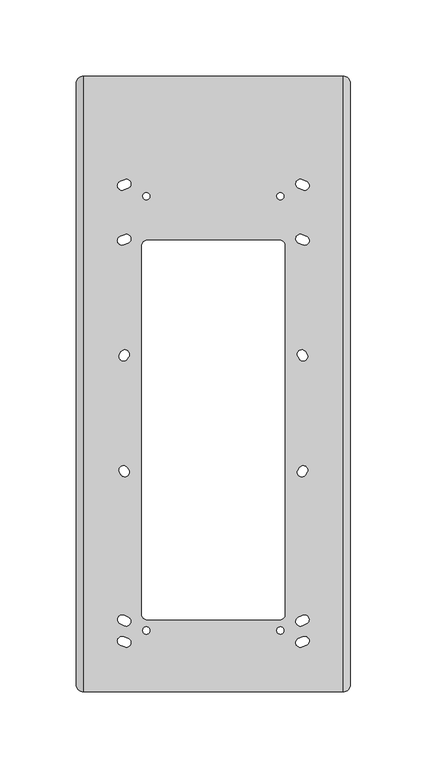
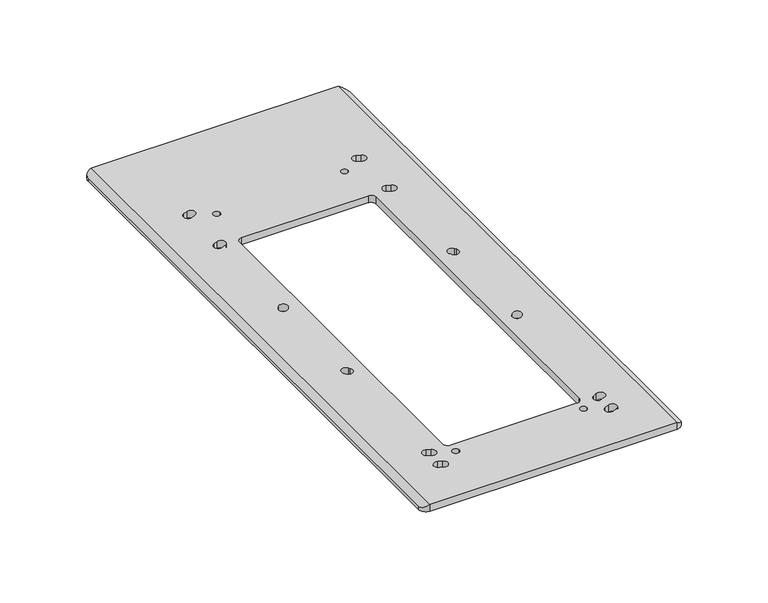
"""IFC4 building model written with IfcOpenShell, lengths in millimetres: proxy geometry."""

from ifc_helpers import new_model, si_unit, point, frame, frame_2d, origin, place, context, project, spatial, polyline, circle_curve, ellipse_curve, trimmed, segment, composite_curve, outline, extrude, source, transform, mapped, element, save
from ifc_brep_helpers import plane_surface, cylinder_surface, revolved_surface, advanced_brep


def electrical_fixtures_130d1e20(model_context):
    return source(origin(), model_context, "Body", "SolidModel", [
        extrude(outline(composite_curve([segment(polyline([(-44.9999999, 371.25), (45.0000004, 371.25)]), True, "CONTINUOUS"), segment(trimmed(circle_curve(frame_2d((45.0000004, 337.7500002)), 33.4999998), [point((45.0000004, 371.25))], [point((78.5000001, 337.7500002))], False, "CARTESIAN"), True, "CONTINUOUS"), segment(polyline([(78.5000001, 337.7500002), (78.5000001, 7.75), (71.5000001, 7.75), (71.5000001, 337.7500002)]), True, "CONTINUOUS"), segment(trimmed(circle_curve(frame_2d((45.0000004, 337.7500002)), 26.4999998), [point((71.5000001, 337.7500002))], [point((45.0000004, 364.25))], True, "CARTESIAN"), True, "CONTINUOUS"), segment(polyline([(45.0000004, 364.25), (-44.9999999, 364.25)]), True, "CONTINUOUS"), segment(trimmed(circle_curve(frame_2d((-44.9999999, 337.75)), 26.5), [point((-44.9999999, 364.25))], [point((-71.4999999, 337.75))], True, "CARTESIAN"), True, "CONTINUOUS"), segment(polyline([(-71.4999999, 337.75), (-71.4999999, 7.75), (-78.4999999, 7.75), (-78.4999999, 337.75)]), True, "CONTINUOUS"), segment(trimmed(circle_curve(frame_2d((-44.9999999, 337.75)), 33.5), [point((-78.4999999, 337.75))], [point((-44.9999999, 371.25))], False, "CARTESIAN"), True, "CONTINUOUS")], self_intersect=False)), frame((0.0, 0.0, -4.0000048), z_axis=(0.0, 0.0, 1.0), x_axis=(1.0, 0.0, 0.0)), (0.0, 0.0, 1.0), 4.0000048),
        advanced_brep(
        [(85.0000001, 404.0, 4.9999952), (-85.0000001, 404.0, 4.9999952), (-84.9999916, 0.0, 4.9999952), (85.0000001, 0.0, 4.9999952), (-43.4999999, 296.25, 4.9999952), (43.5000001, 296.25, 4.9999952), (47.0000001, 292.75, 4.9999952), (47.0000001, 50.75, 4.9999952), (43.5000001, 47.25, 4.9999952), (-43.5000001, 47.25, 4.9999952), (-46.9999999, 50.7499997, 4.9999952), (-46.9999999, 292.75, 4.9999952), (-56.0124822, 330.5000542, 4.9999952), (-58.807446, 329.4100184, 4.9999952), (-60.9875177, 334.9999457, 4.9999952), (-58.1925539, 336.0899816, 4.9999952), (-56.0124822, 294.4928722, 4.9999952), (-58.807446, 293.4028363, 4.9999952), (-60.9875177, 298.9927636, 4.9999952), (-58.1925539, 300.0827995, 4.9999952), (60.9875177, 334.9999457, 4.9999952), (58.807446, 329.4100184, 4.9999952), (56.0124822, 330.5000542, 4.9999952), (58.1925539, 336.0899816, 4.9999952), (60.9875177, 298.9927636, 4.9999952), (58.807446, 293.4028363, 4.9999952), (56.0124822, 294.4928722, 4.9999952), (58.1925539, 300.0827995, 4.9999952), (-61.4243742, 221.7552536, 4.9999952), (-60.6072696, 223.0131647, 4.9999952), (-55.5756256, 219.7447463, 4.9999952), (-56.3927302, 218.4868352, 4.9999952), (-61.4243742, 143.7447464, 4.9999952), (-56.3927302, 147.0131648, 4.9999952), (-55.5756256, 145.7552537, 4.9999952), (-60.6072696, 142.4868353, 4.9999952), (-55.8697895, 48.8313441, 4.9999952), (-58.4130508, 43.3970252, 4.9999952), (-61.1302104, 44.6686559, 4.9999952), (-58.5869491, 50.1029748, 4.9999952), (-56.0124822, 34.9999458, 4.9999952), (-58.1925539, 29.4100184, 4.9999952), (-60.9875177, 30.5000543, 4.9999952), (-58.807446, 36.0899816, 4.9999952), (55.5756256, 219.7447463, 4.9999952), (60.6072696, 223.0131647, 4.9999952), (61.4243742, 221.7552536, 4.9999952), (56.3927302, 218.4868352, 4.9999952), (55.5756256, 145.7552537, 4.9999952), (56.3927302, 147.0131648, 4.9999952), (61.4243742, 143.7447464, 4.9999952), (60.6072696, 142.4868353, 4.9999952), (61.1302104, 44.6686559, 4.9999952), (58.4130508, 43.3970252, 4.9999952), (55.8697895, 48.8313441, 4.9999952), (58.5869491, 50.1029748, 4.9999952), (60.9875177, 30.5000543, 4.9999952), (58.1925539, 29.4100184, 4.9999952), (56.0124822, 34.9999458, 4.9999952), (58.807446, 36.0899816, 4.9999952), (-41.6410014, 325.25, 4.9999952), (-46.3589983, 325.25, 4.9999952), (-41.6410014, 40.25, 4.9999952), (-46.3589983, 40.25, 4.9999952), (41.6410014, 325.25, 4.9999952), (46.3589983, 325.25, 4.9999952), (41.6410014, 40.25, 4.9999952), (46.3589983, 40.25, 4.9999952), (85.0000001, 404.0, 0.0), (90.0000001, 399.0, 0.0), (90.0000001, 5.0, 0.0), (85.0000001, 0.0, 0.0), (-84.9999999, 0.0, 0.0), (-89.9999999, 5.0, 0.0), (-89.9999999, 399.0000003, 0.0), (-85.0000001, 404.0, 0.0), (43.5000001, 296.25, 0.0), (-43.4999999, 296.25, 0.0), (-46.9999999, 292.75, 0.0), (-46.9999999, 50.7499997, 0.0), (-43.5000001, 47.25, 0.0), (43.5000001, 47.25, 0.0), (47.0000001, 50.75, 0.0), (47.0000001, 292.75, 0.0), (-58.807446, 329.4100184, 0.0), (-56.0124822, 330.5000542, 0.0), (-58.1925539, 336.0899816, 0.0), (-60.9875177, 334.9999457, 0.0), (-58.807446, 293.4028363, 0.0), (-56.0124822, 294.4928722, 0.0), (-58.1925539, 300.0827995, 0.0), (-60.9875177, 298.9927636, 0.0), (58.807446, 329.4100184, 0.0), (60.9875177, 334.9999457, 0.0), (58.1925539, 336.0899816, 0.0), (56.0124822, 330.5000542, 0.0), (58.807446, 293.4028363, 0.0), (60.9875177, 298.9927636, 0.0), (58.1925539, 300.0827995, 0.0), (56.0124822, 294.4928722, 0.0), (-60.6072696, 223.0131647, 0.0), (-61.4243742, 221.7552536, 0.0), (-56.3927302, 218.4868352, 0.0), (-55.5756256, 219.7447463, 0.0), (-56.3927302, 147.0131648, 0.0), (-61.4243742, 143.7447464, 0.0), (-60.6072696, 142.4868353, 0.0), (-55.5756256, 145.7552537, 0.0), (-58.4130508, 43.3970252, 0.0), (-55.8697895, 48.8313441, 0.0), (-58.5869491, 50.1029748, 0.0), (-61.1302104, 44.6686559, 0.0), (-58.1925539, 29.4100184, 0.0), (-56.0124822, 34.9999458, 0.0), (-58.807446, 36.0899816, 0.0), (-60.9875177, 30.5000543, 0.0), (60.6072696, 223.0131647, 0.0), (55.5756256, 219.7447463, 0.0), (56.3927302, 218.4868352, 0.0), (61.4243742, 221.7552536, 0.0), (56.3927302, 147.0131648, 0.0), (55.5756256, 145.7552537, 0.0), (60.6072696, 142.4868353, 0.0), (61.4243742, 143.7447464, 0.0), (58.4130508, 43.3970252, 0.0), (61.1302104, 44.6686559, 0.0), (58.5869491, 50.1029748, 0.0), (55.8697895, 48.8313441, 0.0), (58.1925539, 29.4100184, 0.0), (60.9875177, 30.5000543, 0.0), (58.807446, 36.0899816, 0.0), (56.0124822, 34.9999458, 0.0), (-46.3589983, 325.25, 0.0), (-41.6410014, 325.25, 0.0), (-46.3589983, 40.25, 0.0), (-41.6410014, 40.25, 0.0), (46.3589983, 325.25, 0.0), (41.6410014, 325.25, 0.0), (46.3589983, 40.25, 0.0), (41.6410014, 40.25, 0.0), (-89.9999999, 399.0000003, 2.1132387), (-89.9999999, 5.0, 2.1132387), (90.0000001, 5.0, 2.1132386), (90.0000001, 399.0, 2.1132386)],
        [
            (0, 1),
            (1, 2),
            (2, 3),
            (3, 0),
            (4, 5),
            (5, 6, circle_curve(frame((43.5000001, 292.75, 4.9999952), z_axis=(0.0, 0.0, -1.0), x_axis=(1.0, 0.0, 0.0)), 3.5)),
            (6, 7),
            (7, 8, circle_curve(frame((43.5000001, 50.75, 4.9999952), z_axis=(0.0, 0.0, -1.0), x_axis=(1.0, 0.0, 0.0)), 3.5)),
            (8, 9),
            (9, 10, circle_curve(frame((-43.5000001, 50.7499997, 4.9999952), z_axis=(0.0, 0.0, -1.0), x_axis=(1.0, 0.0, 0.0)), 3.4999997)),
            (10, 11),
            (11, 4, circle_curve(frame((-43.4999999, 292.75, 4.9999952), z_axis=(0.0, 0.0, -1.0), x_axis=(1.0, 0.0, 0.0)), 3.5)),
            (12, 13),
            (13, 14, circle_curve(frame((-59.8974818, 332.204982, 4.9999952), z_axis=(0.0, 0.0, -1.0), x_axis=(1.0, 0.0, 0.0)), 3.0)),
            (14, 15),
            (15, 12, circle_curve(frame((-57.102518, 333.2950179, 4.9999952), z_axis=(0.0, 0.0, -1.0), x_axis=(1.0, 0.0, 0.0)), 3.0)),
            (16, 17),
            (17, 18, circle_curve(frame((-59.8974818, 296.1977999, 4.9999952), z_axis=(0.0, 0.0, -1.0), x_axis=(1.0, 0.0, 0.0)), 3.0)),
            (18, 19),
            (19, 16, circle_curve(frame((-57.102518, 297.2878358, 4.9999952), z_axis=(0.0, 0.0, -1.0), x_axis=(1.0, 0.0, 0.0)), 3.0)),
            (20, 21, circle_curve(frame((59.8974818, 332.204982, 4.9999952), z_axis=(0.0, 0.0, -1.0), x_axis=(-1.0, 0.0, 0.0)), 3.0)),
            (21, 22),
            (22, 23, circle_curve(frame((57.102518, 333.2950179, 4.9999952), z_axis=(0.0, 0.0, -1.0), x_axis=(-1.0, 0.0, 0.0)), 3.0)),
            (23, 20),
            (24, 25, circle_curve(frame((59.8974818, 296.1977999, 4.9999952), z_axis=(0.0, 0.0, -1.0), x_axis=(-1.0, 0.0, 0.0)), 3.0)),
            (25, 26),
            (26, 27, circle_curve(frame((57.102518, 297.2878358, 4.9999952), z_axis=(0.0, 0.0, -1.0), x_axis=(-1.0, 0.0, 0.0)), 3.0)),
            (27, 24),
            (28, 29),
            (29, 30, circle_curve(frame((-58.0914476, 221.3789555, 4.9999952), z_axis=(0.0, 0.0, -1.0), x_axis=(1.0, 0.0, 0.0)), 3.0)),
            (30, 31),
            (31, 28, circle_curve(frame((-58.9085522, 220.1210444, 4.9999952), z_axis=(0.0, 0.0, -1.0), x_axis=(1.0, 0.0, 0.0)), 3.0)),
            (32, 33, circle_curve(frame((-58.9085522, 145.3789556, 4.9999952), z_axis=(0.0, 0.0, -1.0), x_axis=(1.0, 0.0, 0.0)), 3.0)),
            (33, 34),
            (34, 35, circle_curve(frame((-58.0914476, 144.1210445, 4.9999952), z_axis=(0.0, 0.0, -1.0), x_axis=(1.0, 0.0, 0.0)), 3.0)),
            (35, 32),
            (36, 37, circle_curve(frame((-57.1414201, 46.1141847, 4.9999952), z_axis=(0.0, 0.0, -1.0), x_axis=(1.0, 0.0, 0.0)), 3.0)),
            (37, 38),
            (38, 39, circle_curve(frame((-59.8585797, 47.3858154, 4.9999952), z_axis=(0.0, 0.0, -1.0), x_axis=(1.0, 0.0, 0.0)), 3.0)),
            (39, 36),
            (40, 41, circle_curve(frame((-57.102518, 32.2049821, 4.9999952), z_axis=(0.0, 0.0, -1.0), x_axis=(1.0, 0.0, 0.0)), 3.0)),
            (41, 42),
            (42, 43, circle_curve(frame((-59.8974818, 33.295018, 4.9999952), z_axis=(0.0, 0.0, -1.0), x_axis=(1.0, 0.0, 0.0)), 3.0)),
            (43, 40),
            (44, 45, circle_curve(frame((58.0914476, 221.3789555, 4.9999952), z_axis=(0.0, 0.0, -1.0), x_axis=(-1.0, 0.0, 0.0)), 3.0)),
            (45, 46),
            (46, 47, circle_curve(frame((58.9085522, 220.1210444, 4.9999952), z_axis=(0.0, 0.0, -1.0), x_axis=(-1.0, 0.0, 0.0)), 3.0)),
            (47, 44),
            (48, 49),
            (49, 50, circle_curve(frame((58.9085522, 145.3789556, 4.9999952), z_axis=(0.0, 0.0, -1.0), x_axis=(-1.0, 0.0, 0.0)), 3.0)),
            (50, 51),
            (51, 48, circle_curve(frame((58.0914476, 144.1210445, 4.9999952), z_axis=(0.0, 0.0, -1.0), x_axis=(-1.0, 0.0, 0.0)), 3.0)),
            (52, 53),
            (53, 54, circle_curve(frame((57.1414201, 46.1141847, 4.9999952), z_axis=(0.0, 0.0, -1.0), x_axis=(-1.0, 0.0, 0.0)), 3.0)),
            (54, 55),
            (55, 52, circle_curve(frame((59.8585797, 47.3858154, 4.9999952), z_axis=(0.0, 0.0, -1.0), x_axis=(-1.0, 0.0, 0.0)), 3.0)),
            (56, 57),
            (57, 58, circle_curve(frame((57.102518, 32.2049821, 4.9999952), z_axis=(0.0, 0.0, -1.0), x_axis=(-1.0, 0.0, 0.0)), 3.0)),
            (58, 59),
            (59, 56, circle_curve(frame((59.8974818, 33.295018, 4.9999952), z_axis=(0.0, 0.0, -1.0), x_axis=(-1.0, 0.0, 0.0)), 3.0)),
            (60, 61, circle_curve(frame((-43.9999999, 325.25, 4.9999952), z_axis=(0.0, 0.0, -1.0), x_axis=(1.0, 0.0, 0.0)), 2.3589985)),
            (61, 60, circle_curve(frame((-43.9999999, 325.25, 4.9999952), z_axis=(0.0, 0.0, -1.0), x_axis=(1.0, 0.0, 0.0)), 2.3589985)),
            (62, 63, circle_curve(frame((-43.9999999, 40.25, 4.9999952), z_axis=(0.0, 0.0, -1.0), x_axis=(1.0, 0.0, 0.0)), 2.3589985)),
            (63, 62, circle_curve(frame((-43.9999999, 40.25, 4.9999952), z_axis=(0.0, 0.0, -1.0), x_axis=(1.0, 0.0, 0.0)), 2.3589985)),
            (64, 65, circle_curve(frame((43.9999999, 325.25, 4.9999952), z_axis=(0.0, 0.0, -1.0), x_axis=(-1.0, 0.0, 0.0)), 2.3589985)),
            (65, 64, circle_curve(frame((43.9999999, 325.25, 4.9999952), z_axis=(0.0, 0.0, -1.0), x_axis=(-1.0, 0.0, 0.0)), 2.3589985)),
            (66, 67, circle_curve(frame((43.9999999, 40.25, 4.9999952), z_axis=(0.0, 0.0, -1.0), x_axis=(-1.0, 0.0, 0.0)), 2.3589985)),
            (67, 66, circle_curve(frame((43.9999999, 40.25, 4.9999952), z_axis=(0.0, 0.0, -1.0), x_axis=(-1.0, 0.0, 0.0)), 2.3589985)),
            (68, 69, circle_curve(frame((85.0000001, 399.0, 0.0), z_axis=(0.0, 0.0, -1.0), x_axis=(1.0, 0.0, 0.0)), 5.0)),
            (69, 70),
            (70, 71, circle_curve(frame((85.0000001, 5.0, 0.0), z_axis=(0.0, 0.0, -1.0), x_axis=(1.0, 0.0, 0.0)), 5.0)),
            (71, 72),
            (72, 73, circle_curve(frame((-84.9999999, 5.0, 0.0), z_axis=(0.0, 0.0, -1.0), x_axis=(1.0, 0.0, 0.0)), 5.0)),
            (73, 74),
            (74, 75, circle_curve(frame((-85.0000001, 399.0000003, 0.0), z_axis=(0.0, 0.0, -1.0), x_axis=(1.0, 0.0, 0.0)), 4.9999997)),
            (75, 68),
            (76, 77),
            (77, 78, circle_curve(frame((-43.4999999, 292.75, 0.0), z_axis=(0.0, 0.0, 1.0), x_axis=(1.0, 0.0, 0.0)), 3.5)),
            (78, 79),
            (79, 80, circle_curve(frame((-43.5000001, 50.7499997, 0.0), z_axis=(0.0, 0.0, 1.0), x_axis=(1.0, 0.0, 0.0)), 3.4999997)),
            (80, 81),
            (81, 82, circle_curve(frame((43.5000001, 50.75, 0.0), z_axis=(0.0, 0.0, 1.0), x_axis=(1.0, 0.0, 0.0)), 3.5)),
            (82, 83),
            (83, 76, circle_curve(frame((43.5000001, 292.75, 0.0), z_axis=(0.0, 0.0, 1.0), x_axis=(1.0, 0.0, 0.0)), 3.5)),
            (84, 85),
            (85, 86, circle_curve(frame((-57.102518, 333.2950179, 0.0), z_axis=(0.0, 0.0, 1.0), x_axis=(1.0, 0.0, 0.0)), 3.0)),
            (86, 87),
            (87, 84, circle_curve(frame((-59.8974818, 332.204982, 0.0), z_axis=(0.0, 0.0, 1.0), x_axis=(1.0, 0.0, 0.0)), 3.0)),
            (88, 89),
            (89, 90, circle_curve(frame((-57.102518, 297.2878358, 0.0), z_axis=(0.0, 0.0, 1.0), x_axis=(1.0, 0.0, 0.0)), 3.0)),
            (90, 91),
            (91, 88, circle_curve(frame((-59.8974818, 296.1977999, 0.0), z_axis=(0.0, 0.0, 1.0), x_axis=(1.0, 0.0, 0.0)), 3.0)),
            (92, 93, circle_curve(frame((59.8974818, 332.204982, 0.0), z_axis=(0.0, 0.0, 1.0), x_axis=(-1.0, 0.0, 0.0)), 3.0)),
            (93, 94),
            (94, 95, circle_curve(frame((57.102518, 333.2950179, 0.0), z_axis=(0.0, 0.0, 1.0), x_axis=(-1.0, 0.0, 0.0)), 3.0)),
            (95, 92),
            (96, 97, circle_curve(frame((59.8974818, 296.1977999, 0.0), z_axis=(0.0, 0.0, 1.0), x_axis=(-1.0, 0.0, 0.0)), 3.0)),
            (97, 98),
            (98, 99, circle_curve(frame((57.102518, 297.2878358, 0.0), z_axis=(0.0, 0.0, 1.0), x_axis=(-1.0, 0.0, 0.0)), 3.0)),
            (99, 96),
            (100, 101),
            (101, 102, circle_curve(frame((-58.9085522, 220.1210444, 0.0), z_axis=(0.0, 0.0, 1.0), x_axis=(1.0, 0.0, 0.0)), 3.0)),
            (102, 103),
            (103, 100, circle_curve(frame((-58.0914476, 221.3789555, 0.0), z_axis=(0.0, 0.0, 1.0), x_axis=(1.0, 0.0, 0.0)), 3.0)),
            (104, 105, circle_curve(frame((-58.9085522, 145.3789556, 0.0), z_axis=(0.0, 0.0, 1.0), x_axis=(1.0, 0.0, 0.0)), 3.0)),
            (105, 106),
            (106, 107, circle_curve(frame((-58.0914476, 144.1210445, 0.0), z_axis=(0.0, 0.0, 1.0), x_axis=(1.0, 0.0, 0.0)), 3.0)),
            (107, 104),
            (108, 109, circle_curve(frame((-57.1414201, 46.1141847, 0.0), z_axis=(0.0, 0.0, 1.0), x_axis=(1.0, 0.0, 0.0)), 3.0)),
            (109, 110),
            (110, 111, circle_curve(frame((-59.8585797, 47.3858154, 0.0), z_axis=(0.0, 0.0, 1.0), x_axis=(1.0, 0.0, 0.0)), 3.0)),
            (111, 108),
            (112, 113, circle_curve(frame((-57.102518, 32.2049821, 0.0), z_axis=(0.0, 0.0, 1.0), x_axis=(1.0, 0.0, 0.0)), 3.0)),
            (113, 114),
            (114, 115, circle_curve(frame((-59.8974818, 33.295018, 0.0), z_axis=(0.0, 0.0, 1.0), x_axis=(1.0, 0.0, 0.0)), 3.0)),
            (115, 112),
            (116, 117, circle_curve(frame((58.0914476, 221.3789555, 0.0), z_axis=(0.0, 0.0, 1.0), x_axis=(-1.0, 0.0, 0.0)), 3.0)),
            (117, 118),
            (118, 119, circle_curve(frame((58.9085522, 220.1210444, 0.0), z_axis=(0.0, 0.0, 1.0), x_axis=(-1.0, 0.0, 0.0)), 3.0)),
            (119, 116),
            (120, 121),
            (121, 122, circle_curve(frame((58.0914476, 144.1210445, 0.0), z_axis=(0.0, 0.0, 1.0), x_axis=(-1.0, 0.0, 0.0)), 3.0)),
            (122, 123),
            (123, 120, circle_curve(frame((58.9085522, 145.3789556, 0.0), z_axis=(0.0, 0.0, 1.0), x_axis=(-1.0, 0.0, 0.0)), 3.0)),
            (124, 125),
            (125, 126, circle_curve(frame((59.8585797, 47.3858154, 0.0), z_axis=(0.0, 0.0, 1.0), x_axis=(-1.0, 0.0, 0.0)), 3.0)),
            (126, 127),
            (127, 124, circle_curve(frame((57.1414201, 46.1141847, 0.0), z_axis=(0.0, 0.0, 1.0), x_axis=(-1.0, 0.0, 0.0)), 3.0)),
            (128, 129),
            (129, 130, circle_curve(frame((59.8974818, 33.295018, 0.0), z_axis=(0.0, 0.0, 1.0), x_axis=(-1.0, 0.0, 0.0)), 3.0)),
            (130, 131),
            (131, 128, circle_curve(frame((57.102518, 32.2049821, 0.0), z_axis=(0.0, 0.0, 1.0), x_axis=(-1.0, 0.0, 0.0)), 3.0)),
            (132, 133, circle_curve(frame((-43.9999999, 325.25, 0.0), z_axis=(0.0, 0.0, 1.0), x_axis=(1.0, 0.0, 0.0)), 2.3589985)),
            (133, 132, circle_curve(frame((-43.9999999, 325.25, 0.0), z_axis=(0.0, 0.0, 1.0), x_axis=(1.0, 0.0, 0.0)), 2.3589985)),
            (134, 135, circle_curve(frame((-43.9999999, 40.25, 0.0), z_axis=(0.0, 0.0, 1.0), x_axis=(1.0, 0.0, 0.0)), 2.3589985)),
            (135, 134, circle_curve(frame((-43.9999999, 40.25, 0.0), z_axis=(0.0, 0.0, 1.0), x_axis=(1.0, 0.0, 0.0)), 2.3589985)),
            (136, 137, circle_curve(frame((43.9999999, 325.25, 0.0), z_axis=(0.0, 0.0, 1.0), x_axis=(-1.0, 0.0, 0.0)), 2.3589985)),
            (137, 136, circle_curve(frame((43.9999999, 325.25, 0.0), z_axis=(0.0, 0.0, 1.0), x_axis=(-1.0, 0.0, 0.0)), 2.3589985)),
            (138, 139, circle_curve(frame((43.9999999, 40.25, 0.0), z_axis=(0.0, 0.0, 1.0), x_axis=(-1.0, 0.0, 0.0)), 2.3589985)),
            (139, 138, circle_curve(frame((43.9999999, 40.25, 0.0), z_axis=(0.0, 0.0, 1.0), x_axis=(-1.0, 0.0, 0.0)), 2.3589985)),
            (0, 68),
            (75, 1),
            (74, 140),
            (140, 1, ellipse_curve(frame((-85.0000001, 399.0000003, 4.9999903), z_axis=(0.5000000503422332, 0.0, -0.8660253747193348), x_axis=(0.8660253747193347, 0.0, 0.5000000503422332)), 5.7735026, 4.9999997)),
            (73, 141),
            (141, 140),
            (72, 2),
            (2, 141, ellipse_curve(frame((-84.9999999, 5.0, 4.9999905), z_axis=(0.5000000503422332, 0.0, -0.8660253747193348), x_axis=(0.8660253747193347, 0.0, 0.5000000503422332)), 5.7735029, 5.0)),
            (71, 3),
            (70, 142),
            (142, 3, ellipse_curve(frame((85.0000001, 5.0, 4.9999903), z_axis=(-0.5000000503422511, 0.0, -0.8660253747193245), x_axis=(-0.8660253747193245, 0.0, 0.5000000503422509)), 5.7735029, 5.0)),
            (69, 143),
            (143, 142),
            (0, 143, ellipse_curve(frame((85.0000001, 399.0, 4.9999903), z_axis=(-0.5000000503422511, 0.0, -0.8660253747193245), x_axis=(-0.8660253747193245, 0.0, 0.5000000503422509)), 5.7735029, 5.0)),
            (4, 77),
            (76, 5),
            (11, 78),
            (10, 79),
            (9, 80),
            (8, 81),
            (7, 82),
            (6, 83),
            (12, 85),
            (84, 13),
            (15, 86),
            (14, 87),
            (16, 89),
            (88, 17),
            (19, 90),
            (18, 91),
            (20, 93),
            (92, 21),
            (23, 94),
            (22, 95),
            (24, 97),
            (96, 25),
            (27, 98),
            (26, 99),
            (28, 101),
            (100, 29),
            (31, 102),
            (30, 103),
            (32, 105),
            (104, 33),
            (35, 106),
            (34, 107),
            (36, 109),
            (108, 37),
            (39, 110),
            (38, 111),
            (40, 113),
            (112, 41),
            (43, 114),
            (42, 115),
            (44, 117),
            (116, 45),
            (47, 118),
            (46, 119),
            (48, 121),
            (120, 49),
            (51, 122),
            (50, 123),
            (52, 125),
            (124, 53),
            (55, 126),
            (54, 127),
            (56, 129),
            (128, 57),
            (59, 130),
            (58, 131),
            (60, 133),
            (132, 61),
            (62, 135),
            (134, 63),
            (64, 137),
            (136, 65),
            (66, 139),
            (138, 67),
        ],
        [
            plane_surface(frame((-85.0000001, 404.0, 4.9999952), z_axis=(0.0, 0.0, 1.0), x_axis=(-1.0, 0.0, 0.0))),
            plane_surface(frame((-85.0000001, 404.0, 0.0), z_axis=(0.0, 0.0, -1.0), x_axis=(1.0, 0.0, 0.0))),
            plane_surface(frame((85.0000001, 404.0, 4.9999952), z_axis=(0.0, 1.0, 0.0), x_axis=(0.0, 0.0, -1.0))),
            cylinder_surface(frame((-85.0000001, 399.0000003, 0.0), z_axis=(0.0, 0.0, 1.0), x_axis=(1.0, 0.0, 0.0)), 4.9999997),
            plane_surface(frame((-89.9999999, 399.0000003, 4.9999952), z_axis=(-1.0, 0.0, 0.0), x_axis=(0.0, 0.0, -1.0))),
            cylinder_surface(frame((-84.9999999, 5.0, 0.0), z_axis=(0.0, 0.0, 1.0), x_axis=(1.0, 0.0, 0.0)), 5.0),
            plane_surface(frame((-84.9999999, 0.0, 4.9999952), z_axis=(0.0, -1.0, 0.0), x_axis=(0.0, 0.0, -1.0))),
            cylinder_surface(frame((85.0000001, 5.0, 0.0), z_axis=(0.0, 0.0, 1.0), x_axis=(1.0, 0.0, 0.0)), 5.0),
            plane_surface(frame((90.0000001, 5.0, 4.9999952), z_axis=(1.0, 0.0, 0.0), x_axis=(0.0, 0.0, -1.0))),
            cylinder_surface(frame((85.0000001, 399.0, 0.0), z_axis=(0.0, 0.0, 1.0), x_axis=(1.0, 0.0, 0.0)), 5.0),
            plane_surface(frame((-90.0, 0.0, 2.1132387), z_axis=(-0.5000000503422332, 0.0, 0.8660253747193348), x_axis=(0.0, 1.0, 0.0))),
            plane_surface(frame((85.0000001, 0.0, 4.9999903), z_axis=(0.5000000503422511, 0.0, 0.8660253747193245), x_axis=(0.0, 1.0, 0.0))),
            plane_surface(frame((43.5000001, 296.25, 4.9999952), z_axis=(0.0, -1.0, 0.0), x_axis=(0.0, 0.0, -1.0))),
            revolved_surface(polyline([(-39.9999999, 292.75, 4.9999952), (-39.9999999, 292.75, 0.0)]), (-43.4999999, 292.75, 0.0), (0.0, 0.0, 1.0)),
            plane_surface(frame((-46.9999999, 292.75, 4.9999952), z_axis=(1.0, 0.0, 0.0), x_axis=(0.0, 0.0, -1.0))),
            revolved_surface(polyline([(-40.000000400000005, 50.7499997, 4.9999952), (-40.000000400000005, 50.7499997, 0.0)]), (-43.5000001, 50.7499997, 0.0), (0.0, 0.0, 1.0)),
            plane_surface(frame((-43.5000001, 47.25, 4.9999952), z_axis=(0.0, 1.0, 0.0), x_axis=(0.0, 0.0, -1.0))),
            revolved_surface(polyline([(47.0000001, 50.75, 4.9999952), (47.0000001, 50.75, 0.0)]), (43.5000001, 50.75, 0.0), (0.0, 0.0, 1.0)),
            plane_surface(frame((47.0000001, 50.75, 4.9999952), z_axis=(-1.0, 0.0, 0.0), x_axis=(0.0, 0.0, -1.0))),
            revolved_surface(polyline([(47.0000001, 292.75, 4.9999952), (47.0000001, 292.75, 0.0)]), (43.5000001, 292.75, 0.0), (0.0, 0.0, 1.0)),
            plane_surface(frame((-58.807446, 329.4100184, 4.9999952), z_axis=(-0.36334527649188586, 0.931654555106685, 0.0), x_axis=(0.0, 0.0, -1.0))),
            revolved_surface(polyline([(-54.102518, 333.2950179, 4.9999952), (-54.102518, 333.2950179, 0.0)]), (-57.102518, 333.2950179, 0.0), (0.0, 0.0, 1.0)),
            plane_surface(frame((-58.1925539, 336.0899816, 4.9999952), z_axis=(0.3633452764918701, -0.9316545551066912, 0.0), x_axis=(0.0, 0.0, -1.0))),
            revolved_surface(polyline([(-56.8974818, 332.204982, 4.9999952), (-56.8974818, 332.204982, 0.0)]), (-59.8974818, 332.204982, 0.0), (0.0, 0.0, 1.0)),
            plane_surface(frame((-58.807446, 293.4028363, 4.9999952), z_axis=(-0.36334527649189563, 0.9316545551066812, 0.0), x_axis=(0.0, 0.0, -1.0))),
            revolved_surface(polyline([(-54.102518, 297.2878358, 4.9999952), (-54.102518, 297.2878358, 0.0)]), (-57.102518, 297.2878358, 0.0), (0.0, 0.0, 1.0)),
            plane_surface(frame((-58.1925539, 300.0827995, 4.9999952), z_axis=(0.3633452764918701, -0.9316545551066912, 0.0), x_axis=(0.0, 0.0, -1.0))),
            revolved_surface(polyline([(-56.8974818, 296.1977999, 4.9999952), (-56.8974818, 296.1977999, 0.0)]), (-59.8974818, 296.1977999, 0.0), (0.0, 0.0, 1.0)),
            revolved_surface(polyline([(56.8974818, 332.204982, 4.9999952), (56.8974818, 332.204982, 0.0)]), (59.8974818, 332.204982, 0.0), (0.0, 0.0, 1.0)),
            plane_surface(frame((60.9875177, 334.9999457, 4.9999952), z_axis=(-0.3633452764918701, -0.9316545551066912, 0.0), x_axis=(0.0, 0.0, -1.0))),
            revolved_surface(polyline([(54.102518, 333.2950179, 4.9999952), (54.102518, 333.2950179, 0.0)]), (57.102518, 333.2950179, 0.0), (0.0, 0.0, 1.0)),
            plane_surface(frame((56.0124822, 330.5000542, 4.9999952), z_axis=(0.3633452764918916, 0.9316545551066827, 0.0), x_axis=(0.0, 0.0, -1.0))),
            revolved_surface(polyline([(56.8974818, 296.1977999, 4.9999952), (56.8974818, 296.1977999, 0.0)]), (59.8974818, 296.1977999, 0.0), (0.0, 0.0, 1.0)),
            plane_surface(frame((60.9875177, 298.9927636, 4.9999952), z_axis=(-0.3633452764918701, -0.9316545551066912, 0.0), x_axis=(0.0, 0.0, -1.0))),
            revolved_surface(polyline([(54.102518, 297.2878358, 4.9999952), (54.102518, 297.2878358, 0.0)]), (57.102518, 297.2878358, 0.0), (0.0, 0.0, 1.0)),
            plane_surface(frame((56.0124822, 294.4928722, 4.9999952), z_axis=(0.36334527649189563, 0.9316545551066812, 0.0), x_axis=(0.0, 0.0, -1.0))),
            plane_surface(frame((-60.6072696, 223.0131647, 4.9999952), z_axis=(0.8386073369609818, -0.5447363898209945, 0.0), x_axis=(0.0, 0.0, -1.0))),
            revolved_surface(polyline([(-55.9085522, 220.1210444, 4.9999952), (-55.9085522, 220.1210444, 0.0)]), (-58.9085522, 220.1210444, 0.0), (0.0, 0.0, 1.0)),
            plane_surface(frame((-56.3927302, 218.4868352, 4.9999952), z_axis=(-0.8386073369609715, 0.5447363898210102, 0.0), x_axis=(0.0, 0.0, -1.0))),
            revolved_surface(polyline([(-55.0914476, 221.3789555, 4.9999952), (-55.0914476, 221.3789555, 0.0)]), (-58.0914476, 221.3789555, 0.0), (0.0, 0.0, 1.0)),
            revolved_surface(polyline([(-55.9085522, 145.3789556, 4.9999952), (-55.9085522, 145.3789556, 0.0)]), (-58.9085522, 145.3789556, 0.0), (0.0, 0.0, 1.0)),
            plane_surface(frame((-61.4243742, 143.7447464, 4.9999952), z_axis=(0.8386073369609841, 0.5447363898209909, 0.0), x_axis=(0.0, 0.0, -1.0))),
            revolved_surface(polyline([(-55.0914476, 144.1210445, 4.9999952), (-55.0914476, 144.1210445, 0.0)]), (-58.0914476, 144.1210445, 0.0), (0.0, 0.0, 1.0)),
            plane_surface(frame((-55.5756256, 145.7552537, 4.9999952), z_axis=(-0.8386073369609908, -0.5447363898209805, 0.0), x_axis=(0.0, 0.0, -1.0))),
            revolved_surface(polyline([(-54.1414201, 46.1141847, 4.9999952), (-54.1414201, 46.1141847, 0.0)]), (-57.1414201, 46.1141847, 0.0), (0.0, 0.0, 1.0)),
            plane_surface(frame((-55.8697895, 48.8313441, 4.9999952), z_axis=(-0.4238768761530664, -0.9057198208401526, 0.0), x_axis=(0.0, 0.0, -1.0))),
            revolved_surface(polyline([(-56.8585797, 47.3858154, 4.9999952), (-56.8585797, 47.3858154, 0.0)]), (-59.8585797, 47.3858154, 0.0), (0.0, 0.0, 1.0)),
            plane_surface(frame((-61.1302104, 44.6686559, 4.9999952), z_axis=(0.423876876153069, 0.9057198208401513, 0.0), x_axis=(0.0, 0.0, -1.0))),
            revolved_surface(polyline([(-54.102518, 32.2049821, 4.9999952), (-54.102518, 32.2049821, 0.0)]), (-57.102518, 32.2049821, 0.0), (0.0, 0.0, 1.0)),
            plane_surface(frame((-56.0124822, 34.9999458, 4.9999952), z_axis=(-0.3633452764918776, -0.9316545551066883, 0.0), x_axis=(0.0, 0.0, -1.0))),
            revolved_surface(polyline([(-56.8974818, 33.295018, 4.9999952), (-56.8974818, 33.295018, 0.0)]), (-59.8974818, 33.295018, 0.0), (0.0, 0.0, 1.0)),
            plane_surface(frame((-60.9875177, 30.5000543, 4.9999952), z_axis=(0.36334527649187526, 0.9316545551066892, 0.0), x_axis=(0.0, 0.0, -1.0))),
            revolved_surface(polyline([(55.0914476, 221.3789555, 4.9999952), (55.0914476, 221.3789555, 0.0)]), (58.0914476, 221.3789555, 0.0), (0.0, 0.0, 1.0)),
            plane_surface(frame((55.5756256, 219.7447463, 4.9999952), z_axis=(0.8386073369609715, 0.5447363898210102, 0.0), x_axis=(0.0, 0.0, -1.0))),
            revolved_surface(polyline([(55.9085522, 220.1210444, 4.9999952), (55.9085522, 220.1210444, 0.0)]), (58.9085522, 220.1210444, 0.0), (0.0, 0.0, 1.0)),
            plane_surface(frame((61.4243742, 221.7552536, 4.9999952), z_axis=(-0.8386073369609792, -0.5447363898209984, 0.0), x_axis=(0.0, 0.0, -1.0))),
            plane_surface(frame((56.3927302, 147.0131648, 4.9999952), z_axis=(0.8386073369609908, -0.5447363898209805, 0.0), x_axis=(0.0, 0.0, -1.0))),
            revolved_surface(polyline([(55.0914476, 144.1210445, 4.9999952), (55.0914476, 144.1210445, 0.0)]), (58.0914476, 144.1210445, 0.0), (0.0, 0.0, 1.0)),
            plane_surface(frame((60.6072696, 142.4868353, 4.9999952), z_axis=(-0.8386073369609841, 0.5447363898209909, 0.0), x_axis=(0.0, 0.0, -1.0))),
            revolved_surface(polyline([(55.9085522, 145.3789556, 4.9999952), (55.9085522, 145.3789556, 0.0)]), (58.9085522, 145.3789556, 0.0), (0.0, 0.0, 1.0)),
            plane_surface(frame((58.4130508, 43.3970252, 4.9999952), z_axis=(-0.423876876153069, 0.9057198208401513, 0.0), x_axis=(0.0, 0.0, -1.0))),
            revolved_surface(polyline([(56.8585797, 47.3858154, 4.9999952), (56.8585797, 47.3858154, 0.0)]), (59.8585797, 47.3858154, 0.0), (0.0, 0.0, 1.0)),
            plane_surface(frame((58.5869491, 50.1029748, 4.9999952), z_axis=(0.4238768761530664, -0.9057198208401526, 0.0), x_axis=(0.0, 0.0, -1.0))),
            revolved_surface(polyline([(54.1414201, 46.1141847, 4.9999952), (54.1414201, 46.1141847, 0.0)]), (57.1414201, 46.1141847, 0.0), (0.0, 0.0, 1.0)),
            plane_surface(frame((58.1925539, 29.4100184, 4.9999952), z_axis=(-0.36334527649187526, 0.9316545551066892, 0.0), x_axis=(0.0, 0.0, -1.0))),
            revolved_surface(polyline([(56.8974818, 33.295018, 4.9999952), (56.8974818, 33.295018, 0.0)]), (59.8974818, 33.295018, 0.0), (0.0, 0.0, 1.0)),
            plane_surface(frame((58.807446, 36.0899816, 4.9999952), z_axis=(0.3633452764918776, -0.9316545551066883, 0.0), x_axis=(0.0, 0.0, -1.0))),
            revolved_surface(polyline([(54.102518, 32.2049821, 4.9999952), (54.102518, 32.2049821, 0.0)]), (57.102518, 32.2049821, 0.0), (0.0, 0.0, 1.0)),
            revolved_surface(polyline([(-41.6410014, 325.25, 4.9999952), (-41.6410014, 325.25, 0.0)]), (-43.9999999, 325.25, 0.0), (0.0, 0.0, 1.0)),
            revolved_surface(polyline([(-41.6410014, 40.25, 4.9999952), (-41.6410014, 40.25, 0.0)]), (-43.9999999, 40.25, 0.0), (0.0, 0.0, 1.0)),
            revolved_surface(polyline([(41.6410014, 325.25, 4.9999952), (41.6410014, 325.25, 0.0)]), (43.9999999, 325.25, 0.0), (0.0, 0.0, 1.0)),
            revolved_surface(polyline([(41.6410014, 40.25, 4.9999952), (41.6410014, 40.25, 0.0)]), (43.9999999, 40.25, 0.0), (0.0, 0.0, 1.0)),
        ],
        [
            (0, [[1, 2, 3, 4], [5, 6, 7, 8, 9, 10, 11, 12], [13, 14, 15, 16], [17, 18, 19, 20], [21, 22, 23, 24], [25, 26, 27, 28], [29, 30, 31, 32], [33, 34, 35, 36], [37, 38, 39, 40], [41, 42, 43, 44], [45, 46, 47, 48], [49, 50, 51, 52], [53, 54, 55, 56], [57, 58, 59, 60], [61, 62], [63, 64], [65, 66], [67, 68]]),
            (1, [[69, 70, 71, 72, 73, 74, 75, 76], [77, 78, 79, 80, 81, 82, 83, 84], [85, 86, 87, 88], [89, 90, 91, 92], [93, 94, 95, 96], [97, 98, 99, 100], [101, 102, 103, 104], [105, 106, 107, 108], [109, 110, 111, 112], [113, 114, 115, 116], [117, 118, 119, 120], [121, 122, 123, 124], [125, 126, 127, 128], [129, 130, 131, 132], [133, 134], [135, 136], [137, 138], [139, 140]]),
            (2, [[-1, 141, -76, 142]]),
            (3, [[-75, 143, 144, -142]]),
            (4, [[-74, 145, 146, -143]]),
            (5, [[-73, 147, 148, -145]]),
            (6, [[-3, -147, -72, 149]]),
            (7, [[-71, 150, 151, -149]]),
            (8, [[-70, 152, 153, -150]]),
            (9, [[-69, -141, 154, -152]]),
            (10, [[-2, -144, -146, -148]]),
            (11, [[-4, -151, -153, -154]]),
            (12, [[155, -77, 156, -5]]),
            (13, [[-155, -12, 157, -78]]),
            (14, [[-157, -11, 158, -79]]),
            (15, [[-158, -10, 159, -80]]),
            (16, [[-159, -9, 160, -81]]),
            (17, [[-160, -8, 161, -82]]),
            (18, [[-161, -7, 162, -83]]),
            (19, [[-156, -84, -162, -6]]),
            (20, [[163, -85, 164, -13]]),
            (21, [[-163, -16, 165, -86]]),
            (22, [[-165, -15, 166, -87]]),
            (23, [[-164, -88, -166, -14]]),
            (24, [[167, -89, 168, -17]]),
            (25, [[-167, -20, 169, -90]]),
            (26, [[-169, -19, 170, -91]]),
            (27, [[-168, -92, -170, -18]]),
            (28, [[171, -93, 172, -21]]),
            (29, [[-171, -24, 173, -94]]),
            (30, [[-173, -23, 174, -95]]),
            (31, [[-172, -96, -174, -22]]),
            (32, [[175, -97, 176, -25]]),
            (33, [[-175, -28, 177, -98]]),
            (34, [[-177, -27, 178, -99]]),
            (35, [[-176, -100, -178, -26]]),
            (36, [[179, -101, 180, -29]]),
            (37, [[-179, -32, 181, -102]]),
            (38, [[-181, -31, 182, -103]]),
            (39, [[-180, -104, -182, -30]]),
            (40, [[183, -105, 184, -33]]),
            (41, [[-183, -36, 185, -106]]),
            (42, [[-185, -35, 186, -107]]),
            (43, [[-184, -108, -186, -34]]),
            (44, [[187, -109, 188, -37]]),
            (45, [[-187, -40, 189, -110]]),
            (46, [[-189, -39, 190, -111]]),
            (47, [[-188, -112, -190, -38]]),
            (48, [[191, -113, 192, -41]]),
            (49, [[-191, -44, 193, -114]]),
            (50, [[-193, -43, 194, -115]]),
            (51, [[-192, -116, -194, -42]]),
            (52, [[195, -117, 196, -45]]),
            (53, [[-195, -48, 197, -118]]),
            (54, [[-197, -47, 198, -119]]),
            (55, [[-196, -120, -198, -46]]),
            (56, [[199, -121, 200, -49]]),
            (57, [[-199, -52, 201, -122]]),
            (58, [[-201, -51, 202, -123]]),
            (59, [[-200, -124, -202, -50]]),
            (60, [[203, -125, 204, -53]]),
            (61, [[-203, -56, 205, -126]]),
            (62, [[-205, -55, 206, -127]]),
            (63, [[-204, -128, -206, -54]]),
            (64, [[207, -129, 208, -57]]),
            (65, [[-207, -60, 209, -130]]),
            (66, [[-209, -59, 210, -131]]),
            (67, [[-208, -132, -210, -58]]),
            (68, [[211, -133, 212, -61]]),
            (68, [[-211, -62, -212, -134]]),
            (69, [[213, -135, 214, -63]]),
            (69, [[-213, -64, -214, -136]]),
            (70, [[215, -137, 216, -65]]),
            (70, [[-215, -66, -216, -138]]),
            (71, [[217, -139, 218, -67]]),
            (71, [[-217, -68, -218, -140]]),
        ],
    ),
    ])


if __name__ == "__main__":
    model = new_model("IFC4")
    model_context = context("Model", 3, world=origin())
    ifc_project = project(units=[si_unit("LENGTHUNIT", "METRE", prefix="MILLI")], contexts=[model_context])
    site = spatial("IfcSite", under=ifc_project)
    building = spatial("IfcBuilding", under=site)
    placement = place(None, origin())
    electrical_fixtures_shape = electrical_fixtures_130d1e20(model_context)
    element("IfcBuildingElementProxy", 1, Name="Electrical Fixtures", at=placement, inside=building, context=model_context, shape_type="MappedRepresentation", body=[
        mapped(electrical_fixtures_shape, transform((0.0, 0.0, 0.0), x_axis=(1.0, 0.0, 0.0), y_axis=(0.0, 1.0, 0.0), z_axis=(0.0, 0.0, 1.0))),
    ])
    save(model, "model.ifc")
